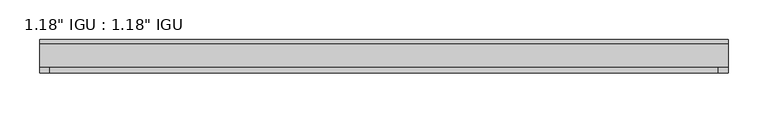
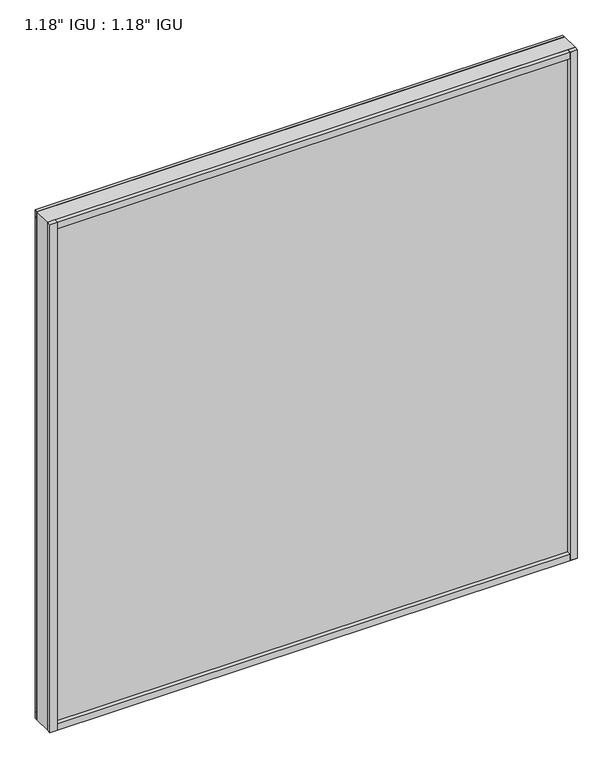
"""IFC4 building model written with IfcOpenShell, lengths in millimetres: plate geometry."""

from ifc_helpers import new_model, si_unit, frame, origin, origin_with_axes, place, context, project, spatial, polyline, outline, extrude, source, transform, mapped, element, save


def plate_a69fba2a(model_context):
    return source(origin(), model_context, "Body", "SweptSolid", [
        extrude(outline(polyline([(431.8, -9.7647125), (431.8, -14.5399125), (-431.8, -14.5399125), (-431.8, -9.7647125), (431.8, -9.7647125)])), origin_with_axes(), (0.0, 0.0, 1.0), 11.1252),
        extrude(outline(polyline([(-431.8, -14.5399125), (-431.8, -9.7647125), (431.8, -9.7647125), (431.8, -14.5399125), (-431.8, -14.5399125)])), frame((0.0, 0.0, 868.3702658), z_axis=(0.0, 0.0, 1.0), x_axis=(1.0, 0.0, 0.0)), (0.0, 0.0, 1.0), 11.1252),
        extrude(outline(polyline([(431.8, -44.6643125), (431.8, -51.3953125), (419.6623204, -51.3953125), (419.6623204, -44.6643125), (431.8, -44.6643125)])), origin_with_axes(), (0.0, 0.0, 1.0), 879.4954658),
        extrude(outline(polyline([(431.8, -9.7765488), (431.8, -14.5399125), (419.7875762, -14.5399125), (419.7875762, -9.7765488), (431.8, -9.7765488)])), origin_with_axes(), (0.0, 0.0, 1.0), 879.4954658),
        extrude(outline(polyline([(-419.7794229, -51.3953125), (-431.8, -51.3953125), (-431.8, -44.6643125), (-419.7794229, -44.6643125), (-419.7794229, -51.3953125)])), origin_with_axes(), (0.0, 0.0, 1.0), 879.4954658),
        extrude(outline(polyline([(-419.7794229, -14.5399125), (-431.8, -14.5399125), (-431.8, -9.7647125), (-419.7794229, -9.7647125), (-419.7794229, -14.5399125)])), origin_with_axes(), (0.0, 0.0, 1.0), 879.4954658),
        extrude(outline(polyline([(431.8, -44.6643125), (431.8, -51.3953125), (-431.8, -51.3953125), (-431.8, -44.6643125), (431.8, -44.6643125)])), origin_with_axes(), (0.0, 0.0, 1.0), 11.1693096),
        extrude(outline(polyline([(431.8, -44.6643125), (431.8, -51.3953125), (-431.8, -51.3953125), (-431.8, -44.6643125), (431.8, -44.6643125)])), frame((0.0, 0.0, 868.31436), z_axis=(0.0, 0.0, 1.0), x_axis=(1.0, 0.0, 0.0)), (0.0, 0.0, 1.0), 11.1811058),
        extrude(outline(polyline([(431.8, -44.6643125), (-431.8, -44.6643125), (-431.8, -14.5399125), (431.8, -14.5399125), (431.8, -44.6643125)])), origin_with_axes(), (0.0, 0.0, 1.0), 879.4954658),
    ])


if __name__ == "__main__":
    model = new_model("IFC4")
    model_context = context("Model", 3, world=origin())
    ifc_project = project(units=[si_unit("LENGTHUNIT", "METRE", prefix="MILLI")], contexts=[model_context])
    site = spatial("IfcSite", under=ifc_project)
    building = spatial("IfcBuilding", under=site)
    placement = place(None, origin())
    plate_shape = plate_a69fba2a(model_context)
    element("IfcPlate", 1, ObjectType="1.18\" IGU : 1.18\" IGU", at=placement, inside=building, context=model_context, shape_type="MappedRepresentation", body=[
        mapped(plate_shape, transform((0.0, 0.0, 0.0), x_axis=(1.0, 0.0, 0.0), y_axis=(0.0, 1.0, 0.0), z_axis=(0.0, 0.0, 1.0))),
    ])
    save(model, "model.ifc")
